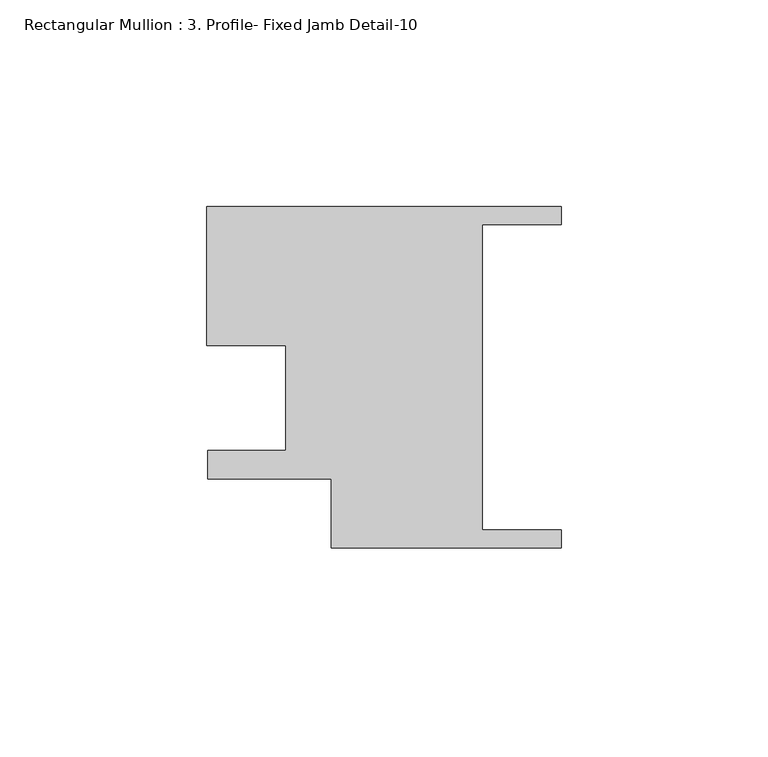
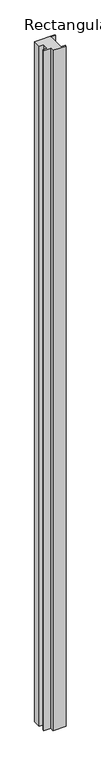
"""IFC4 building model written with IfcOpenShell, lengths in millimetres: member geometry, Rectangular Mullion : 3. Profile- Fixed Jamb Detail-10."""

from ifc_helpers import new_model, si_unit, frame, origin, place, context, project, spatial, polyline, outline, extrude, source, transform, mapped, element, save


def rectangular_mullion_3_profile_fixed_jamb_detail_10_57317630(model_context):
    return source(origin(), model_context, "Body", "SweptSolid", [
        extrude(outline(polyline([(-85.7250602, 35.8043285), (0.0, 35.8043285), (0.0, 31.4863227), (-19.0500254, 31.4863227), (-19.0500254, -42.4276945), (0.0, -42.4276945), (0.0, -46.7457002), (-55.565659, -46.7457002), (-55.565659, -30.1106161), (-85.4980191, -30.1106161), (-85.4980191, -23.2018068), (-66.6781739, -23.2018068), (-66.6781739, 2.1981717), (-85.7250602, 2.1981717), (-85.7250602, 35.8043285)])), frame((0.0, 0.0, -3048.0), z_axis=(0.0, 0.0, 1.0), x_axis=(1.0, 0.0, 0.0)), (0.0, 0.0, 1.0), 3048.0),
    ])


if __name__ == "__main__":
    model = new_model("IFC4")
    model_context = context("Model", 3, world=origin())
    ifc_project = project(units=[si_unit("LENGTHUNIT", "METRE", prefix="MILLI")], contexts=[model_context])
    site = spatial("IfcSite", under=ifc_project)
    building = spatial("IfcBuilding", under=site)
    placement = place(None, origin())
    rectangular_mullion_3_profile_fixed_jamb_detail_10_shape = rectangular_mullion_3_profile_fixed_jamb_detail_10_57317630(model_context)
    element("IfcMember", 1, ObjectType="Rectangular Mullion : 3. Profile- Fixed Jamb Detail-10", at=placement, inside=building, context=model_context, shape_type="MappedRepresentation", body=[
        mapped(rectangular_mullion_3_profile_fixed_jamb_detail_10_shape, transform((0.0, 0.0, 0.0), x_axis=(1.0, 0.0, 0.0), y_axis=(0.0, 1.0, 0.0), z_axis=(0.0, 0.0, 1.0))),
    ])
    save(model, "model.ifc")
